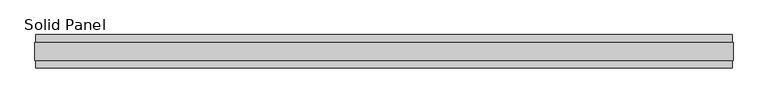
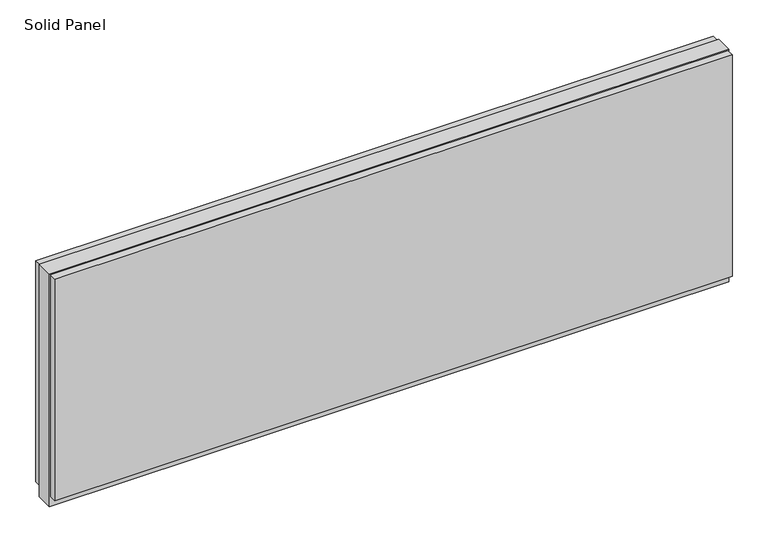
"""IFC4 building model written with IfcOpenShell, lengths in millimetres: plate geometry, Solid Panel."""

from ifc_helpers import new_model, si_unit, frame, origin, origin_with_axes, place, context, project, spatial, polyline, outline, extrude, source, transform, mapped, element, save


def solid_panel_f7f9e355(model_context):
    return source(origin(), model_context, "Body", "SweptSolid", [
        extrude(outline(polyline([(1009.7897, -48.4531867), (-1009.7897, -48.4531867), (-1009.7897, -25.9961), (1009.7897, -25.9961), (1009.7897, -48.4531867)])), frame((0.0, 0.0, 32.004), z_axis=(0.0, 0.0, 1.0), x_axis=(1.0, 0.0, 0.0)), (0.0, 0.0, 1.0), 697.7761),
        extrude(outline(polyline([(1009.7897, 25.9977), (-1009.7897, 25.9977), (-1009.7897, 48.4547867), (1009.7897, 48.4547867), (1009.7897, 25.9977)])), frame((0.0, 0.0, 32.004), z_axis=(0.0, 0.0, 1.0), x_axis=(1.0, 0.0, 0.0)), (0.0, 0.0, 1.0), 697.7761),
        extrude(outline(polyline([(1012.7869, -25.9961), (-1012.7869, -25.9961), (-1012.7869, 25.9977), (1012.7869, 25.9977), (1012.7869, -25.9961)])), origin_with_axes(), (0.0, 0.0, 1.0), 732.79),
    ])


if __name__ == "__main__":
    model = new_model("IFC4")
    model_context = context("Model", 3, world=origin())
    ifc_project = project(units=[si_unit("LENGTHUNIT", "METRE", prefix="MILLI")], contexts=[model_context])
    site = spatial("IfcSite", under=ifc_project)
    building = spatial("IfcBuilding", under=site)
    placement = place(None, origin())
    solid_panel_shape = solid_panel_f7f9e355(model_context)
    element("IfcPlate", 1, ObjectType="Solid Panel", at=placement, inside=building, context=model_context, shape_type="MappedRepresentation", body=[
        mapped(solid_panel_shape, transform((0.0, 0.0, 0.0), x_axis=(1.0, 0.0, 0.0), y_axis=(0.0, 1.0, 0.0), z_axis=(0.0, 0.0, 1.0))),
    ])
    save(model, "model.ifc")
